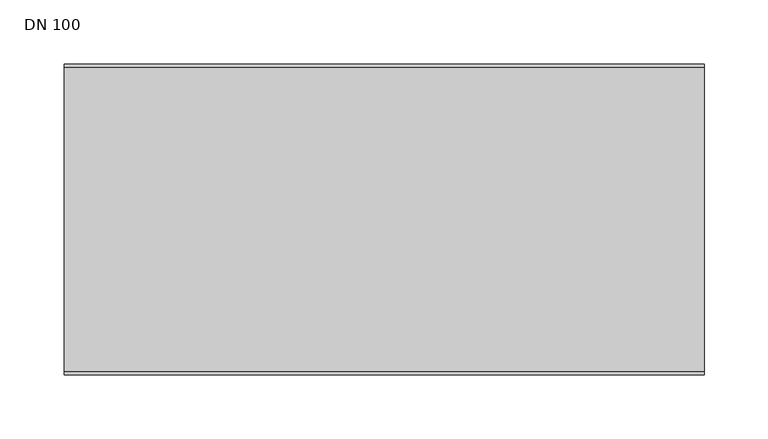
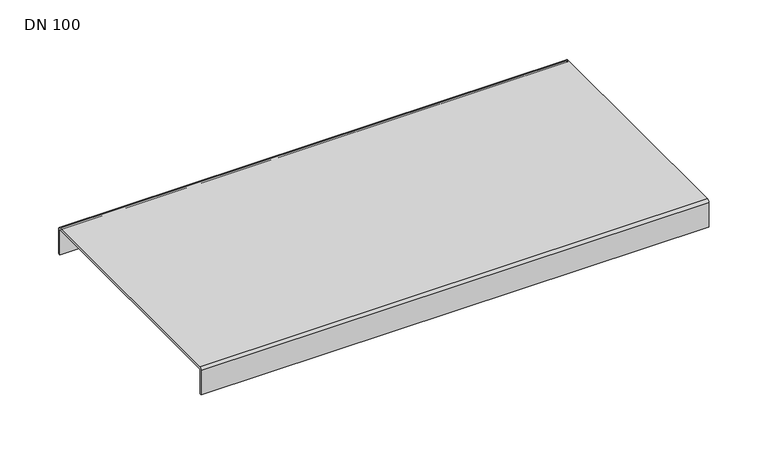
"""IFC4 building model written with IfcOpenShell, lengths in millimetres: sanitary terminal geometry, DN 100."""

import ifcopenshell
import ifcopenshell.guid

model = None  # the IFC model being written
_history = None  # IfcOwnerHistory: only IFC2X3 demands one
_inside = {}  # id of a spatial element -> (the spatial element, [elements in it])
_under = {}  # id of a project, library or spatial element -> (it, [spatial elements below it])
_declared = {}  # id of a project -> (the project, [libraries it declares])
_typed = {}  # id of a type object -> (the type object, [elements of that type])
_made_of = {}  # id of a material, layer set ... -> (it, [elements and type objects made of it])


def new_model(schema):
    """Start an empty IFC model of exactly this schema.

    Asked for "IFC4X3", IfcOpenShell would pick the latest addendum, in which some entities
    have other attributes; the version numbers below select the first issue.
    IFC2X3 requires an IfcOwnerHistory on every rooted entity: one is made here for all.
    """
    global model, _history
    if schema == "IFC4X3":
        model = ifcopenshell.file(schema_version=(4, 3, 0, 0))
    else:
        model = ifcopenshell.file(schema=schema)
    _inside.clear()
    _under.clear()
    _declared.clear()
    _typed.clear()
    _made_of.clear()
    _history = None
    if model.schema == "IFC2X3":
        org = make("IfcOrganization", Name="unknown")
        user = make(
            "IfcPersonAndOrganization",
            ThePerson=make("IfcPerson", FamilyName="unknown"),
            TheOrganization=org,
        )
        app = make(
            "IfcApplication",
            ApplicationDeveloper=org,
            Version="unknown",
            ApplicationFullName="unknown",
            ApplicationIdentifier="unknown",
        )
        _history = make(
            "IfcOwnerHistory",
            OwningUser=user,
            OwningApplication=app,
            ChangeAction="ADDED",
            CreationDate=0,
        )
    return model


def make(cls, **values):
    """One entity of the class cls with the attributes given. An attribute that is None is left unset."""
    return model.create_entity(
        cls, **{name: value for name, value in values.items() if value is not None}
    )


def rooted(cls, **values):
    """An entity with a GlobalId (a new one), such as an element, a storey or a relation."""
    return make(cls, GlobalId=ifcopenshell.guid.new(), OwnerHistory=_history, **values)


def si_unit(unit_type, name, prefix=None):
    """IfcSIUnit, for example si_unit("LENGTHUNIT", "METRE", prefix="MILLI")."""
    return make("IfcSIUnit", UnitType=unit_type, Prefix=prefix, Name=name)


def assignment(units):
    """IfcUnitAssignment: the units of a project."""
    return None if units is None else make("IfcUnitAssignment", Units=units)


def point(xyz):
    """IfcCartesianPoint."""
    return None if xyz is None else make("IfcCartesianPoint", Coordinates=xyz)


def direction(xyz):
    """IfcDirection."""
    return None if xyz is None else make("IfcDirection", DirectionRatios=xyz)


def frame(location, z_axis=None, x_axis=None):
    """IfcAxis2Placement3D, a coordinate frame: its origin and axes. An axis left out is left unset."""
    return make(
        "IfcAxis2Placement3D",
        Location=point(location),
        Axis=direction(z_axis),
        RefDirection=direction(x_axis),
    )


def frame_2d(location, x_axis=None):
    """IfcAxis2Placement2D, a coordinate frame in the plane: its origin and x axis."""
    return make(
        "IfcAxis2Placement2D", Location=point(location), RefDirection=direction(x_axis)
    )


def origin():
    """The frame at (0, 0, 0) with its axes left unset."""
    return frame((0.0, 0.0, 0.0))


def place(relative_to, where):
    """IfcLocalPlacement: puts the frame where relative to a parent placement (None: the world)."""
    return make(
        "IfcLocalPlacement", PlacementRelTo=relative_to, RelativePlacement=where
    )


def context(
    kind, dimensions, precision=None, world=None, true_north=None, identifier=None
):
    """IfcGeometricRepresentationContext, for example the 3D "Model" context."""
    return make(
        "IfcGeometricRepresentationContext",
        ContextIdentifier=identifier,
        ContextType=kind,
        CoordinateSpaceDimension=dimensions,
        Precision=precision,
        WorldCoordinateSystem=world,
        TrueNorth=true_north,
    )


def project(units=None, contexts=None):
    """IfcProject with its units and contexts."""
    return rooted(
        "IfcProject",
        Name="project",
        RepresentationContexts=contexts,
        UnitsInContext=assignment(units),
    )


def spatial(cls, under=None, at=None, **own):
    """A site, building, storey or space (cls), placed at a placement, below another one or the project."""
    s = rooted(cls, ObjectPlacement=at, **own)
    if under is not None:
        _under.setdefault(under.id(), (under, []))[1].append(s)
    return s


def polyline(points):
    """IfcPolyline through the points."""
    return make("IfcPolyline", Points=[point(p) for p in points])


def circle_curve(where, radius):
    """IfcCircle in the frame where."""
    return make("IfcCircle", Position=where, Radius=radius)


def trimmed(basis, trim1, trim2, sense, master):
    """IfcTrimmedCurve: the piece of a basis curve between two trims."""
    return make(
        "IfcTrimmedCurve",
        BasisCurve=basis,
        Trim1=trim1,
        Trim2=trim2,
        SenseAgreement=sense,
        MasterRepresentation=master,
    )


def segment(curve, same_sense, transition):
    """IfcCompositeCurveSegment."""
    return make(
        "IfcCompositeCurveSegment",
        Transition=transition,
        SameSense=same_sense,
        ParentCurve=curve,
    )


def composite_curve(segments, self_intersect=None):
    """IfcCompositeCurve: segments joined end to end."""
    return make("IfcCompositeCurve", Segments=segments, SelfIntersect=self_intersect)


def outline(outer, holes=None, kind="AREA"):
    """IfcArbitraryClosedProfileDef: a profile drawn as a closed curve; with holes, ...WithVoids."""
    if holes is None:
        return make("IfcArbitraryClosedProfileDef", ProfileType=kind, OuterCurve=outer)
    return make(
        "IfcArbitraryProfileDefWithVoids",
        ProfileType=kind,
        OuterCurve=outer,
        InnerCurves=holes,
    )


def extrude(swept, where, along, depth):
    """IfcExtrudedAreaSolid: the profile swept, set in the frame where, extruded along a direction by depth."""
    return make(
        "IfcExtrudedAreaSolid",
        SweptArea=swept,
        Position=where,
        ExtrudedDirection=direction(along),
        Depth=depth,
    )


def shape(context_of_items, identifier, shape_type, items):
    """IfcShapeRepresentation: the items that make up one representation, for example the "Body"."""
    return make(
        "IfcShapeRepresentation",
        ContextOfItems=context_of_items,
        RepresentationIdentifier=identifier,
        RepresentationType=shape_type,
        Items=items,
    )


def source(mapping_origin, context_of_items, identifier, shape_type, items):
    """IfcRepresentationMap: a shape defined once, which mapped items show again and again."""
    return make(
        "IfcRepresentationMap",
        MappingOrigin=mapping_origin,
        MappedRepresentation=shape(context_of_items, identifier, shape_type, items),
    )


def transform(
    local_origin,
    x_axis=None,
    y_axis=None,
    z_axis=None,
    scale=None,
    scale2=None,
    scale3=None,
    uniform=True,
):
    """IfcCartesianTransformationOperator3D, or its non-uniform kind. x_axis, y_axis, z_axis: its Axis1, 2, 3."""
    if uniform:
        return make(
            "IfcCartesianTransformationOperator3D",
            Axis1=direction(x_axis),
            Axis2=direction(y_axis),
            LocalOrigin=point(local_origin),
            Scale=scale,
            Axis3=direction(z_axis),
        )
    return make(
        "IfcCartesianTransformationOperator3DnonUniform",
        Axis1=direction(x_axis),
        Axis2=direction(y_axis),
        LocalOrigin=point(local_origin),
        Scale=scale,
        Axis3=direction(z_axis),
        Scale2=scale2,
        Scale3=scale3,
    )


def mapped(mapping_source, mapping_target):
    """IfcMappedItem: shows the shape of a source again, moved by a transform."""
    return make(
        "IfcMappedItem", MappingSource=mapping_source, MappingTarget=mapping_target
    )


def made_of(thing, what):
    """Note that an element or type object is made of a material, layer set ...; save() writes the relation."""
    if what is not None:
        _made_of.setdefault(what.id(), (what, []))[1].append(thing)
    return thing


def element(
    cls,
    number,
    at=None,
    inside=None,
    cuts=None,
    type_object=None,
    material=None,
    context=None,
    identifier="Body",
    shape_type=None,
    held_by="IfcProductDefinitionShape",
    body=None,
    shapes=None,
    **own,
):
    """One element of the class cls, such as IfcWall. Its Tag is "e" and its number.

    at: its placement. inside: the storey or other place that contains it. cuts: it is an
    opening in that element (IfcRelVoidsElement). A single representation is given by context,
    identifier, shape_type and body (its items); several are given by shapes. held_by: the class
    of the entity that holds the representations. save() writes the other relations.
    """
    e = rooted(cls, Tag="e%d" % number, ObjectPlacement=at, **own)
    if body is not None:
        shapes = [shape(context, identifier, shape_type, body)]
    if shapes is not None:
        e.Representation = make(held_by, Representations=shapes)
    if inside is not None:
        _inside.setdefault(inside.id(), (inside, []))[1].append(e)
    if cuts is not None:
        rooted(
            "IfcRelVoidsElement", RelatingBuildingElement=cuts, RelatedOpeningElement=e
        )
    if type_object is not None:
        _typed.setdefault(type_object.id(), (type_object, []))[1].append(e)
    return made_of(e, material)


def aggregate(whole, parts):
    """IfcRelAggregates: a whole, such as a stair, and the parts it consists of."""
    return rooted("IfcRelAggregates", RelatingObject=whole, RelatedObjects=parts)


def save(model, path):
    """Write the relations noted so far, then the file.

    IfcRelAggregates (storeys below a building ...), IfcRelContainedInSpatialStructure (elements
    in a storey), IfcRelDefinesByType, IfcRelAssociatesMaterial and IfcRelDeclares: one each for
    every whole, place, type object, material and project.
    """
    for whole, parts in _under.values():
        aggregate(whole, parts)
    for where, things in _inside.values():
        rooted(
            "IfcRelContainedInSpatialStructure",
            RelatedElements=things,
            RelatingStructure=where,
        )
    for kind, things in _typed.values():
        rooted("IfcRelDefinesByType", RelatedObjects=things, RelatingType=kind)
    for what, things in _made_of.values():
        rooted("IfcRelAssociatesMaterial", RelatedObjects=things, RelatingMaterial=what)
    for by, libraries in _declared.values():
        rooted("IfcRelDeclares", RelatingContext=by, RelatedDefinitions=libraries)
    model.write(path)


def dn_100_a8c91b5f(model_context):
    return source(origin(), model_context, "Body", "SweptSolid", [
        extrude(outline(composite_curve([segment(polyline([(121.5, -28.0), (119.5, -28.0), (119.5, -2.5)]), True, "CONTINUOUS"), segment(trimmed(circle_curve(frame_2d((119.0, -2.5)), 0.5), [point((119.5, -2.5))], [point((119.0, -2.0))], True, "CARTESIAN"), True, "CONTINUOUS"), segment(polyline([(119.0, -2.0), (-119.0, -2.0)]), True, "CONTINUOUS"), segment(trimmed(circle_curve(frame_2d((-119.0, -2.5)), 0.5), [point((-119.0, -2.0))], [point((-119.5, -2.5))], True, "CARTESIAN"), True, "CONTINUOUS"), segment(polyline([(-119.5, -2.5), (-119.5, -28.0), (-121.5, -28.0), (-121.5, -2.5)]), True, "CONTINUOUS"), segment(trimmed(circle_curve(frame_2d((-119.0, -2.5)), 2.5), [point((-121.5, -2.5))], [point((-119.0, 0.0))], False, "CARTESIAN"), True, "CONTINUOUS"), segment(polyline([(-119.0, 0.0), (119.0, 0.0)]), True, "CONTINUOUS"), segment(trimmed(circle_curve(frame_2d((119.0, -2.5)), 2.5), [point((119.0, 0.0))], [point((121.5, -2.5))], False, "CARTESIAN"), True, "CONTINUOUS"), segment(polyline([(121.5, -2.5), (121.5, -28.0)]), True, "CONTINUOUS")], self_intersect=False)), frame((0.0, 0.0, 0.0), z_axis=(1.0, 0.0, 0.0), x_axis=(0.0, 1.0, 0.0)), (0.0, 0.0, 1.0), 500.0),
    ])


if __name__ == "__main__":
    model = new_model("IFC4")
    model_context = context("Model", 3, world=origin())
    ifc_project = project(units=[si_unit("LENGTHUNIT", "METRE", prefix="MILLI")], contexts=[model_context])
    site = spatial("IfcSite", under=ifc_project)
    building = spatial("IfcBuilding", under=site)
    placement = place(None, origin())
    dn_100_shape = dn_100_a8c91b5f(model_context)
    element("IfcSanitaryTerminal", 1, ObjectType="DN 100", at=placement, inside=building, context=model_context, shape_type="MappedRepresentation", body=[
        mapped(dn_100_shape, transform((0.0, 0.0, 0.0), x_axis=(1.0, 0.0, 0.0), y_axis=(0.0, 1.0, 0.0), z_axis=(0.0, 0.0, 1.0))),
    ])
    save(model, "model.ifc")
